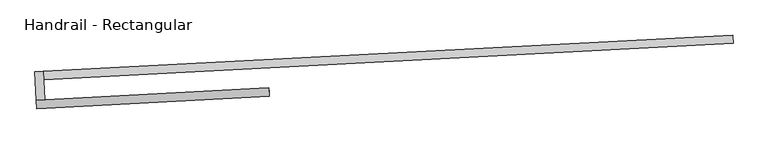
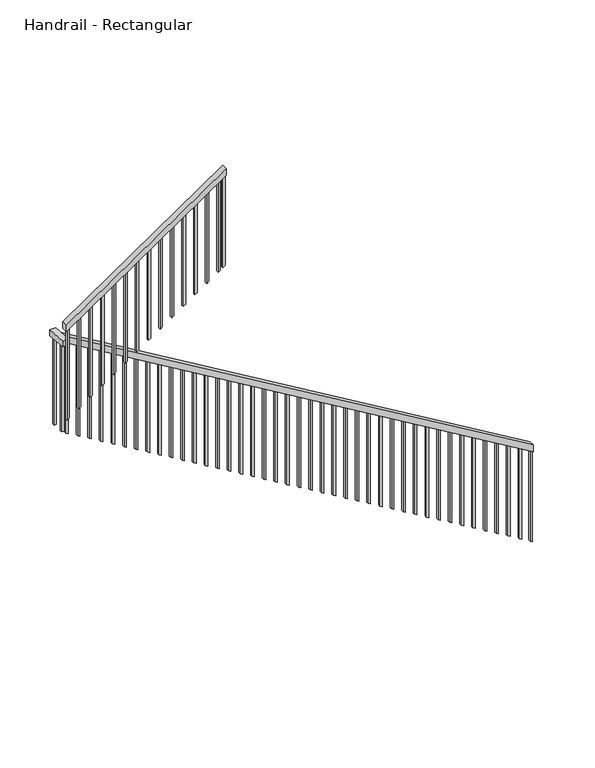
"""IFC4 building model written with IfcOpenShell, lengths in millimetres: railing geometry, Handrail - Rectangular."""

from ifc_helpers import new_model, si_unit, frame, origin, place, context, project, spatial, polyline, outline, extrude, source, transform, mapped, element, save


def handrail_rectangular_b2c7f8ce(model_context):
    return source(origin(), model_context, "Body", "SweptSolid", [
        extrude(outline(polyline([(-31.4876033, -50.8), (0.0, 0.0), (4871.0206406, 0.0), (4839.5330373, -50.8), (-31.4876033, -50.8)])), frame((12083.9919851, -25001.0309623, 1087.5818182), z_axis=(-0.05233595624293972, 0.9986295347545743, 0.0), x_axis=(-0.8488007555029385, -0.04448376264967305, 0.5268381841876767)), (0.0, 0.0, 1.0), 50.8),
        extrude(outline(polyline([(7896.0769384, -25169.6405746), (7946.8073187, -25166.981908), (7955.7803184, -25338.1969417), (7905.0499381, -25340.8556083), (7896.0769384, -25169.6405746)])), frame((0.0, 0.0, 3634.5090909), z_axis=(0.0, 0.0, 1.0), x_axis=(1.0, 0.0, 0.0)), (0.0, 0.0, 1.0), 50.8),
        extrude(outline(polyline([(31.4876033, -50.8), (0.0, 0.0), (1643.5959216, 0.0), (1675.0835249, -50.8), (31.4876033, -50.8)])), frame((7907.7086047, -25391.5859887, 3798.7237847), z_axis=(-0.052335956242938755, 0.9986295347545742, 0.0), x_axis=(0.8488007555029388, 0.044483762649671764, 0.5268381841876766)), (0.0, 0.0, 1.0), 50.8),
        extrude(outline(polyline([(234.5039256, 19.0500001), (1048.9045305, 19.0500001), (1037.0966792, 0.0), (222.6960744, 0.0), (234.5039256, 19.0500001)])), frame((9260.7447974, -25304.7795805, 4861.7452723), z_axis=(-0.052335956242940136, 0.9986295347545743, 0.0), x_axis=(0.0, 0.0, -1.0)), (0.0, 0.0, 1.0), 19.05),
        extrude(outline(polyline([(234.5039257, 19.05), (1048.9045305, 19.05), (1037.0966792, 0.0), (222.6960744, 0.0), (234.5039257, 19.05)])), frame((9159.2840366, -25310.0969137, 4798.7700657), z_axis=(-0.052335956242940136, 0.9986295347545743, 0.0), x_axis=(0.0, 0.0, -1.0)), (0.0, 0.0, 1.0), 19.05),
        extrude(outline(polyline([(234.5039256, 19.05), (1048.9045304, 19.05), (1037.0966791, 0.0), (222.6960743, 0.0), (234.5039256, 19.05)])), frame((9057.8232759, -25315.4142468, 4735.794859), z_axis=(-0.052335956242940136, 0.9986295347545743, 0.0), x_axis=(0.0, 0.0, -1.0)), (0.0, 0.0, 1.0), 19.05),
        extrude(outline(polyline([(234.5039256, 19.0500001), (1048.9045304, 19.0500001), (1037.0966792, 0.0), (222.6960743, 0.0), (234.5039256, 19.0500001)])), frame((8956.3625152, -25320.73158, 4672.8196524), z_axis=(-0.052335956242940136, 0.9986295347545743, 0.0), x_axis=(0.0, 0.0, -1.0)), (0.0, 0.0, 1.0), 19.05),
        extrude(outline(polyline([(234.5039256, 19.05), (1048.9045304, 19.05), (1037.0966792, 0.0), (222.6960744, 0.0), (234.5039256, 19.05)])), frame((8854.9017544, -25326.0489131, 4609.8444458), z_axis=(-0.052335956242940136, 0.9986295347545743, 0.0), x_axis=(0.0, 0.0, -1.0)), (0.0, 0.0, 1.0), 19.05),
        extrude(outline(polyline([(234.5039256, 19.05), (1048.9045304, 19.05), (1037.0966792, 0.0), (222.6960744, 0.0), (234.5039256, 19.05)])), frame((8753.4409937, -25331.3662463, 4546.8692392), z_axis=(-0.052335956242940136, 0.9986295347545743, 0.0), x_axis=(0.0, 0.0, -1.0)), (0.0, 0.0, 1.0), 19.05),
        extrude(outline(polyline([(234.5039256, 19.0500001), (1048.9045304, 19.0500001), (1037.0966792, 0.0), (222.6960744, 0.0), (234.5039256, 19.0500001)])), frame((8651.980233, -25336.6835795, 4483.8940326), z_axis=(-0.052335956242940136, 0.9986295347545743, 0.0), x_axis=(0.0, 0.0, -1.0)), (0.0, 0.0, 1.0), 19.05),
        extrude(outline(polyline([(234.5039256, 19.05), (1048.9045304, 19.05), (1037.0966792, 0.0), (222.6960744, 0.0), (234.5039256, 19.05)])), frame((8550.5194722, -25342.0009126, 4420.918826), z_axis=(-0.052335956242940136, 0.9986295347545743, 0.0), x_axis=(0.0, 0.0, -1.0)), (0.0, 0.0, 1.0), 19.05),
        extrude(outline(polyline([(234.5039256, 19.05), (1048.9045305, 19.05), (1037.0966792, 0.0), (222.6960744, 0.0), (234.5039256, 19.05)])), frame((8449.0587115, -25347.3182458, 4357.9436194), z_axis=(-0.052335956242940136, 0.9986295347545743, 0.0), x_axis=(0.0, 0.0, -1.0)), (0.0, 0.0, 1.0), 19.05),
        extrude(outline(polyline([(234.5039257, 19.0500001), (1048.9045305, 19.0500001), (1037.0966792, 0.0), (222.6960744, 0.0), (234.5039257, 19.0500001)])), frame((8347.5979508, -25352.6355789, 4294.9684128), z_axis=(-0.052335956242940136, 0.9986295347545743, 0.0), x_axis=(0.0, 0.0, -1.0)), (0.0, 0.0, 1.0), 19.05),
        extrude(outline(polyline([(234.5039257, 19.05), (1048.9045305, 19.05), (1037.0966792, 0.0), (222.6960744, 0.0), (234.5039257, 19.05)])), frame((8246.13719, -25357.9529121, 4231.9932062), z_axis=(-0.052335956242940136, 0.9986295347545743, 0.0), x_axis=(0.0, 0.0, -1.0)), (0.0, 0.0, 1.0), 19.05),
        extrude(outline(polyline([(234.5039256, 19.05), (1048.9045304, 19.05), (1037.0966791, 0.0), (222.6960743, 0.0), (234.5039256, 19.05)])), frame((8144.6764293, -25363.2702452, 4169.0179995), z_axis=(-0.052335956242940136, 0.9986295347545743, 0.0), x_axis=(0.0, 0.0, -1.0)), (0.0, 0.0, 1.0), 19.05),
        extrude(outline(polyline([(234.5039256, 19.0500001), (1048.9045304, 19.0500001), (1037.0966792, 0.0), (222.6960743, 0.0), (234.5039256, 19.0500001)])), frame((8043.2156686, -25368.5875784, 4106.0427929), z_axis=(-0.052335956242940136, 0.9986295347545743, 0.0), x_axis=(0.0, 0.0, -1.0)), (0.0, 0.0, 1.0), 19.05),
        extrude(outline(polyline([(7937.1022413, -25285.1267459), (7938.0992413, -25304.1506385), (7919.0753487, -25305.1476385), (7918.0783487, -25286.1237459), (7937.1022413, -25285.1267459)])), frame((0.0, 0.0, 2847.1090909), z_axis=(0.0, 0.0, 1.0), x_axis=(1.0, 0.0, 0.0)), (0.0, 0.0, 1.0), 787.4),
        extrude(outline(polyline([(222.6960744, 19.0500001), (1037.0966792, 19.0500001), (1048.9045304, 0.0), (234.5039256, 0.0), (222.6960744, 19.0500001)])), frame((8034.2426689, -25197.3725446, 3775.4229582), z_axis=(-0.05233595624293971, 0.9986295347545743, 0.0), x_axis=(0.0, 0.0, -1.0)), (0.0, 0.0, 1.0), 19.05),
        extrude(outline(polyline([(222.6960744, 19.05), (1037.0966792, 19.05), (1048.9045304, 0.0), (234.5039256, 0.0), (222.6960744, 19.05)])), frame((8135.7034296, -25192.0552115, 3712.4477516), z_axis=(-0.05233595624293971, 0.9986295347545743, 0.0), x_axis=(0.0, 0.0, -1.0)), (0.0, 0.0, 1.0), 19.05),
        extrude(outline(polyline([(222.6960744, 19.05), (1037.0966792, 19.05), (1048.9045304, 0.0), (234.5039256, 0.0), (222.6960744, 19.05)])), frame((8237.1641903, -25186.7378783, 3649.472545), z_axis=(-0.05233595624293971, 0.9986295347545743, 0.0), x_axis=(0.0, 0.0, -1.0)), (0.0, 0.0, 1.0), 19.05),
        extrude(outline(polyline([(222.6960744, 19.0500001), (1037.0966792, 19.0500001), (1048.9045304, 0.0), (234.5039256, 0.0), (222.6960744, 19.0500001)])), frame((8338.6249511, -25181.4205452, 3586.4973384), z_axis=(-0.05233595624293971, 0.9986295347545743, 0.0), x_axis=(0.0, 0.0, -1.0)), (0.0, 0.0, 1.0), 19.05),
        extrude(outline(polyline([(222.6960744, 19.05), (1037.0966792, 19.05), (1048.9045305, 0.0), (234.5039256, 0.0), (222.6960744, 19.05)])), frame((8440.0857118, -25176.103212, 3523.5221318), z_axis=(-0.05233595624293971, 0.9986295347545743, 0.0), x_axis=(0.0, 0.0, -1.0)), (0.0, 0.0, 1.0), 19.05),
        extrude(outline(polyline([(222.6960744, 19.05), (1037.0966792, 19.05), (1048.9045305, 0.0), (234.5039257, 0.0), (222.6960744, 19.05)])), frame((8541.5464725, -25170.7858789, 3460.5469252), z_axis=(-0.05233595624293971, 0.9986295347545743, 0.0), x_axis=(0.0, 0.0, -1.0)), (0.0, 0.0, 1.0), 19.05),
        extrude(outline(polyline([(222.6960744, 19.0500001), (1037.0966792, 19.0500001), (1048.9045305, 0.0), (234.5039257, 0.0), (222.6960744, 19.0500001)])), frame((8643.0072333, -25165.4685457, 3397.5717186), z_axis=(-0.05233595624293971, 0.9986295347545743, 0.0), x_axis=(0.0, 0.0, -1.0)), (0.0, 0.0, 1.0), 19.05),
        extrude(outline(polyline([(222.6960743, 19.05), (1037.0966791, 19.05), (1048.9045304, 0.0), (234.5039256, 0.0), (222.6960743, 19.05)])), frame((8744.467994, -25160.1512126, 3334.5965119), z_axis=(-0.05233595624293971, 0.9986295347545743, 0.0), x_axis=(0.0, 0.0, -1.0)), (0.0, 0.0, 1.0), 19.05),
        extrude(outline(polyline([(222.6960744, 19.05), (1037.0966792, 19.05), (1048.9045304, 0.0), (234.5039256, 0.0), (222.6960744, 19.05)])), frame((8845.9287547, -25154.8338794, 3271.6213053), z_axis=(-0.05233595624293971, 0.9986295347545743, 0.0), x_axis=(0.0, 0.0, -1.0)), (0.0, 0.0, 1.0), 19.05),
        extrude(outline(polyline([(222.6960744, 19.0500001), (1037.0966792, 19.0500001), (1048.9045304, 0.0), (234.5039256, 0.0), (222.6960744, 19.0500001)])), frame((8947.3895155, -25149.5165463, 3208.6460987), z_axis=(-0.05233595624293971, 0.9986295347545743, 0.0), x_axis=(0.0, 0.0, -1.0)), (0.0, 0.0, 1.0), 19.05),
        extrude(outline(polyline([(222.6960744, 19.05), (1037.0966792, 19.05), (1048.9045304, 0.0), (234.5039256, 0.0), (222.6960744, 19.05)])), frame((9048.8502762, -25144.1992131, 3145.6708921), z_axis=(-0.05233595624293971, 0.9986295347545743, 0.0), x_axis=(0.0, 0.0, -1.0)), (0.0, 0.0, 1.0), 19.05),
        extrude(outline(polyline([(222.6960744, 19.05), (1037.0966792, 19.05), (1048.9045304, 0.0), (234.5039256, 0.0), (222.6960744, 19.05)])), frame((9150.3110369, -25138.8818799, 3082.6956855), z_axis=(-0.05233595624293971, 0.9986295347545743, 0.0), x_axis=(0.0, 0.0, -1.0)), (0.0, 0.0, 1.0), 19.05),
        extrude(outline(polyline([(222.6960744, 19.0500001), (1037.0966792, 19.0500001), (1048.9045304, 0.0), (234.5039256, 0.0), (222.6960744, 19.0500001)])), frame((9251.7717977, -25133.5645468, 3019.7204789), z_axis=(-0.05233595624293971, 0.9986295347545743, 0.0), x_axis=(0.0, 0.0, -1.0)), (0.0, 0.0, 1.0), 19.05),
        extrude(outline(polyline([(222.6960744, 19.05), (1037.0966792, 19.05), (1048.9045305, 0.0), (234.5039256, 0.0), (222.6960744, 19.05)])), frame((9353.2325584, -25128.2472136, 2956.7452723), z_axis=(-0.05233595624293971, 0.9986295347545743, 0.0), x_axis=(0.0, 0.0, -1.0)), (0.0, 0.0, 1.0), 19.05),
        extrude(outline(polyline([(222.6960744, 19.05), (1037.0966792, 19.05), (1048.9045305, 0.0), (234.5039257, 0.0), (222.6960744, 19.05)])), frame((9454.6933191, -25122.9298805, 2893.7700657), z_axis=(-0.05233595624293971, 0.9986295347545743, 0.0), x_axis=(0.0, 0.0, -1.0)), (0.0, 0.0, 1.0), 19.05),
        extrude(outline(polyline([(222.6960743, 19.05), (1037.0966791, 19.05), (1048.9045304, 0.0), (234.5039256, 0.0), (222.6960743, 19.05)])), frame((9556.1540798, -25117.6125473, 2830.794859), z_axis=(-0.05233595624293971, 0.9986295347545743, 0.0), x_axis=(0.0, 0.0, -1.0)), (0.0, 0.0, 1.0), 19.05),
        extrude(outline(polyline([(222.6960743, 19.0500001), (1037.0966792, 19.0500001), (1048.9045304, 0.0), (234.5039256, 0.0), (222.6960743, 19.0500001)])), frame((9657.6148406, -25112.2952142, 2767.8196524), z_axis=(-0.05233595624293971, 0.9986295347545743, 0.0), x_axis=(0.0, 0.0, -1.0)), (0.0, 0.0, 1.0), 19.05),
        extrude(outline(polyline([(222.6960744, 19.05), (1037.0966792, 19.05), (1048.9045304, 0.0), (234.5039256, 0.0), (222.6960744, 19.05)])), frame((9759.0756013, -25106.977881, 2704.8444458), z_axis=(-0.05233595624293971, 0.9986295347545743, 0.0), x_axis=(0.0, 0.0, -1.0)), (0.0, 0.0, 1.0), 19.05),
        extrude(outline(polyline([(222.6960744, 19.05), (1037.0966792, 19.05), (1048.9045304, 0.0), (234.5039256, 0.0), (222.6960744, 19.05)])), frame((9860.536362, -25101.6605479, 2641.8692392), z_axis=(-0.05233595624293971, 0.9986295347545743, 0.0), x_axis=(0.0, 0.0, -1.0)), (0.0, 0.0, 1.0), 19.05),
        extrude(outline(polyline([(222.6960744, 19.0500001), (1037.0966792, 19.0500001), (1048.9045304, 0.0), (234.5039256, 0.0), (222.6960744, 19.0500001)])), frame((9961.9971228, -25096.3432147, 2578.8940326), z_axis=(-0.05233595624293971, 0.9986295347545743, 0.0), x_axis=(0.0, 0.0, -1.0)), (0.0, 0.0, 1.0), 19.05),
        extrude(outline(polyline([(222.6960744, 19.05), (1037.0966792, 19.05), (1048.9045304, 0.0), (234.5039256, 0.0), (222.6960744, 19.05)])), frame((10063.4578835, -25091.0258816, 2515.918826), z_axis=(-0.05233595624293971, 0.9986295347545743, 0.0), x_axis=(0.0, 0.0, -1.0)), (0.0, 0.0, 1.0), 19.05),
        extrude(outline(polyline([(222.6960744, 19.05), (1037.0966792, 19.05), (1048.9045305, 0.0), (234.5039256, 0.0), (222.6960744, 19.05)])), frame((10164.9186442, -25085.7085484, 2452.9436194), z_axis=(-0.05233595624293971, 0.9986295347545743, 0.0), x_axis=(0.0, 0.0, -1.0)), (0.0, 0.0, 1.0), 19.05),
        extrude(outline(polyline([(222.6960744, 19.0500001), (1037.0966792, 19.0500001), (1048.9045305, 0.0), (234.5039257, 0.0), (222.6960744, 19.0500001)])), frame((10266.379405, -25080.3912153, 2389.9684128), z_axis=(-0.05233595624293971, 0.9986295347545743, 0.0), x_axis=(0.0, 0.0, -1.0)), (0.0, 0.0, 1.0), 19.05),
        extrude(outline(polyline([(222.6960744, 19.05), (1037.0966792, 19.05), (1048.9045305, 0.0), (234.5039257, 0.0), (222.6960744, 19.05)])), frame((10367.8401657, -25075.0738821, 2326.9932062), z_axis=(-0.05233595624293971, 0.9986295347545743, 0.0), x_axis=(0.0, 0.0, -1.0)), (0.0, 0.0, 1.0), 19.05),
        extrude(outline(polyline([(222.6960743, 19.05), (1037.0966791, 19.05), (1048.9045304, 0.0), (234.5039256, 0.0), (222.6960743, 19.05)])), frame((10469.3009264, -25069.7565489, 2264.0179995), z_axis=(-0.05233595624293971, 0.9986295347545743, 0.0), x_axis=(0.0, 0.0, -1.0)), (0.0, 0.0, 1.0), 19.05),
        extrude(outline(polyline([(222.6960743, 19.0500001), (1037.0966792, 19.0500001), (1048.9045304, 0.0), (234.5039256, 0.0), (222.6960743, 19.0500001)])), frame((10570.7616872, -25064.4392158, 2201.0427929), z_axis=(-0.05233595624293971, 0.9986295347545743, 0.0), x_axis=(0.0, 0.0, -1.0)), (0.0, 0.0, 1.0), 19.05),
        extrude(outline(polyline([(222.6960744, 19.05), (1037.0966792, 19.05), (1048.9045304, 0.0), (234.5039256, 0.0), (222.6960744, 19.05)])), frame((10672.2224479, -25059.1218826, 2138.0675863), z_axis=(-0.05233595624293971, 0.9986295347545743, 0.0), x_axis=(0.0, 0.0, -1.0)), (0.0, 0.0, 1.0), 19.05),
        extrude(outline(polyline([(222.6960744, 19.05), (1037.0966792, 19.05), (1048.9045304, 0.0), (234.5039256, 0.0), (222.6960744, 19.05)])), frame((10773.6832086, -25053.8045495, 2075.0923797), z_axis=(-0.05233595624293971, 0.9986295347545743, 0.0), x_axis=(0.0, 0.0, -1.0)), (0.0, 0.0, 1.0), 19.05),
        extrude(outline(polyline([(222.6960744, 19.0500001), (1037.0966792, 19.0500001), (1048.9045304, 0.0), (234.5039256, 0.0), (222.6960744, 19.0500001)])), frame((10875.1439694, -25048.4872163, 2012.1171731), z_axis=(-0.05233595624293971, 0.9986295347545743, 0.0), x_axis=(0.0, 0.0, -1.0)), (0.0, 0.0, 1.0), 19.05),
        extrude(outline(polyline([(222.6960744, 19.0500001), (1037.0966792, 19.0500001), (1048.9045304, 0.0), (234.5039256, 0.0), (222.6960744, 19.0500001)])), frame((10976.6047301, -25043.1698832, 1949.1419665), z_axis=(-0.05233595624293971, 0.9986295347545743, 0.0), x_axis=(0.0, 0.0, -1.0)), (0.0, 0.0, 1.0), 19.05),
        extrude(outline(polyline([(222.6960744, 19.05), (1037.0966792, 19.05), (1048.9045305, 0.0), (234.5039256, 0.0), (222.6960744, 19.05)])), frame((11078.0654908, -25037.85255, 1886.1667599), z_axis=(-0.05233595624293971, 0.9986295347545743, 0.0), x_axis=(0.0, 0.0, -1.0)), (0.0, 0.0, 1.0), 19.05),
        extrude(outline(polyline([(222.6960744, 19.05), (1037.0966792, 19.05), (1048.9045305, 0.0), (234.5039257, 0.0), (222.6960744, 19.05)])), frame((11179.5262515, -25032.5352169, 1823.1915533), z_axis=(-0.05233595624293971, 0.9986295347545743, 0.0), x_axis=(0.0, 0.0, -1.0)), (0.0, 0.0, 1.0), 19.05),
        extrude(outline(polyline([(222.6960744, 19.0500001), (1037.0966792, 19.0500001), (1048.9045305, 0.0), (234.5039257, 0.0), (222.6960744, 19.0500001)])), frame((11280.9870123, -25027.2178837, 1760.2163467), z_axis=(-0.05233595624293971, 0.9986295347545743, 0.0), x_axis=(0.0, 0.0, -1.0)), (0.0, 0.0, 1.0), 19.05),
        extrude(outline(polyline([(222.6960743, 19.05), (1037.0966792, 19.05), (1048.9045304, 0.0), (234.5039256, 0.0), (222.6960743, 19.05)])), frame((11382.447773, -25021.9005506, 1697.24114), z_axis=(-0.05233595624293971, 0.9986295347545743, 0.0), x_axis=(0.0, 0.0, -1.0)), (0.0, 0.0, 1.0), 19.05),
        extrude(outline(polyline([(222.6960744, 19.05), (1037.0966792, 19.05), (1048.9045304, 0.0), (234.5039256, 0.0), (222.6960744, 19.05)])), frame((11483.9085337, -25016.5832174, 1634.2659334), z_axis=(-0.05233595624293971, 0.9986295347545743, 0.0), x_axis=(0.0, 0.0, -1.0)), (0.0, 0.0, 1.0), 19.05),
        extrude(outline(polyline([(222.6960744, 19.0500001), (1037.0966792, 19.0500001), (1048.9045304, 0.0), (234.5039256, 0.0), (222.6960744, 19.0500001)])), frame((11585.3692945, -25011.2658842, 1571.2907268), z_axis=(-0.05233595624293971, 0.9986295347545743, 0.0), x_axis=(0.0, 0.0, -1.0)), (0.0, 0.0, 1.0), 19.05),
        extrude(outline(polyline([(222.6960744, 19.05), (1037.0966792, 19.05), (1048.9045304, 0.0), (234.5039256, 0.0), (222.6960744, 19.05)])), frame((11686.8300552, -25005.9485511, 1508.3155202), z_axis=(-0.05233595624293971, 0.9986295347545743, 0.0), x_axis=(0.0, 0.0, -1.0)), (0.0, 0.0, 1.0), 19.05),
        extrude(outline(polyline([(222.6960744, 19.05), (1037.0966792, 19.05), (1048.9045304, 0.0), (234.5039256, 0.0), (222.6960744, 19.05)])), frame((11788.2908159, -25000.6312179, 1445.3403136), z_axis=(-0.05233595624293971, 0.9986295347545743, 0.0), x_axis=(0.0, 0.0, -1.0)), (0.0, 0.0, 1.0), 19.05),
        extrude(outline(polyline([(222.6960744, 19.0500001), (1037.0966792, 19.0500001), (1048.9045304, 0.0), (234.5039256, 0.0), (222.6960744, 19.0500001)])), frame((11889.7515767, -24995.3138848, 1382.365107), z_axis=(-0.05233595624293971, 0.9986295347545743, 0.0), x_axis=(0.0, 0.0, -1.0)), (0.0, 0.0, 1.0), 19.05),
        extrude(outline(polyline([(222.6960744, 19.05), (1037.0966792, 19.05), (1048.9045305, 0.0), (234.5039257, 0.0), (222.6960744, 19.05)])), frame((11991.2123374, -24989.9965516, 1319.3899004), z_axis=(-0.05233595624293971, 0.9986295347545743, 0.0), x_axis=(0.0, 0.0, -1.0)), (0.0, 0.0, 1.0), 19.05),
        extrude(outline(polyline([(234.5039256, 19.0500001), (1048.9045304, 19.0500001), (1037.0966792, 0.0), (222.6960744, 0.0), (234.5039256, 19.0500001)])), frame((7941.7549079, -25373.9049115, 4043.0675863), z_axis=(-0.052335956242940136, 0.9986295347545743, 0.0), x_axis=(0.0, 0.0, -1.0)), (0.0, 0.0, 1.0), 19.05),
        extrude(outline(polyline([(7931.7849082, -25183.6659852), (7932.7819082, -25202.6898778), (7913.7580155, -25203.6868778), (7912.7610155, -25184.6629851), (7931.7849082, -25183.6659852)])), frame((0.0, 0.0, 2847.1090909), z_axis=(0.0, 0.0, 1.0), x_axis=(1.0, 0.0, 0.0)), (0.0, 0.0, 1.0), 787.4),
        extrude(outline(polyline([(234.5039257, 19.05), (1048.9045305, 19.05), (1037.0966792, 0.0), (222.6960744, 0.0), (234.5039257, 19.05)])), frame((9301.9632314, -25302.6194139, 4887.32895), z_axis=(-0.052335956242940136, 0.9986295347545743, 0.0), x_axis=(0.0, 0.0, -1.0)), (0.0, 0.0, 1.0), 19.05),
        extrude(outline(polyline([(222.6960744, 19.05), (1037.0966792, 19.05), (1048.9045305, 0.0), (234.5039256, 0.0), (222.6960744, 19.05)])), frame((12083.1611518, -24985.1777185, 1262.3186194), z_axis=(-0.05233595624293971, 0.9986295347545743, 0.0), x_axis=(0.0, 0.0, -1.0)), (0.0, 0.0, 1.0), 19.05),
    ])


if __name__ == "__main__":
    model = new_model("IFC4")
    model_context = context("Model", 3, world=origin())
    ifc_project = project(units=[si_unit("LENGTHUNIT", "METRE", prefix="MILLI")], contexts=[model_context])
    site = spatial("IfcSite", under=ifc_project)
    building = spatial("IfcBuilding", under=site)
    placement = place(None, origin())
    handrail_rectangular_shape = handrail_rectangular_b2c7f8ce(model_context)
    element("IfcRailing", 1, ObjectType="Handrail - Rectangular", at=placement, inside=building, context=model_context, shape_type="MappedRepresentation", body=[
        mapped(handrail_rectangular_shape, transform((0.0, 0.0, 0.0), x_axis=(1.0, 0.0, 0.0), y_axis=(0.0, 1.0, 0.0), z_axis=(0.0, 0.0, 1.0))),
    ])
    save(model, "model.ifc")
